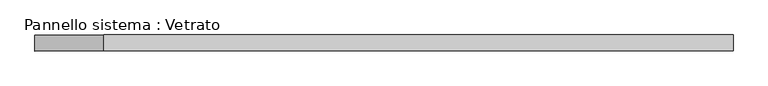
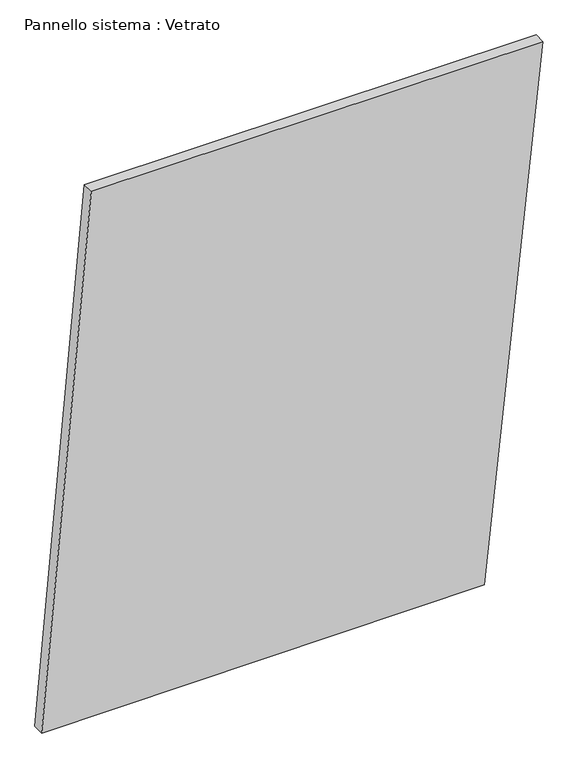
"""IFC4 building model written with IfcOpenShell, lengths in millimetres: plate geometry, Pannello sistema : Vetrato."""

from ifc_helpers import new_model, si_unit, frame, origin, place, context, project, spatial, polyline, outline, extrude, source, transform, mapped, element, save


def pannello_sistema_vetrato_0c39e3a0(model_context):
    return source(origin(), model_context, "Body", "SweptSolid", [
        extrude(outline(polyline([(0.0, -653.3026369), (5.1174693, 500.8507923), (1447.9079946, 653.3026369), (1447.9079918, -524.1371508), (0.0, -653.3026369)])), frame((0.0, -15.0, 0.0), z_axis=(0.0, 1.0, 0.0), x_axis=(0.0, 0.0, 1.0)), (0.0, 0.0, 1.0), 30.0),
    ])


if __name__ == "__main__":
    model = new_model("IFC4")
    model_context = context("Model", 3, world=origin())
    ifc_project = project(units=[si_unit("LENGTHUNIT", "METRE", prefix="MILLI")], contexts=[model_context])
    site = spatial("IfcSite", under=ifc_project)
    building = spatial("IfcBuilding", under=site)
    placement = place(None, origin())
    pannello_sistema_vetrato_shape = pannello_sistema_vetrato_0c39e3a0(model_context)
    element("IfcPlate", 1, ObjectType="Pannello sistema : Vetrato", at=placement, inside=building, context=model_context, shape_type="MappedRepresentation", body=[
        mapped(pannello_sistema_vetrato_shape, transform((0.0, 0.0, 0.0), x_axis=(1.0, 0.0, 0.0), y_axis=(0.0, 1.0, 0.0), z_axis=(0.0, 0.0, 1.0))),
    ])
    save(model, "model.ifc")
